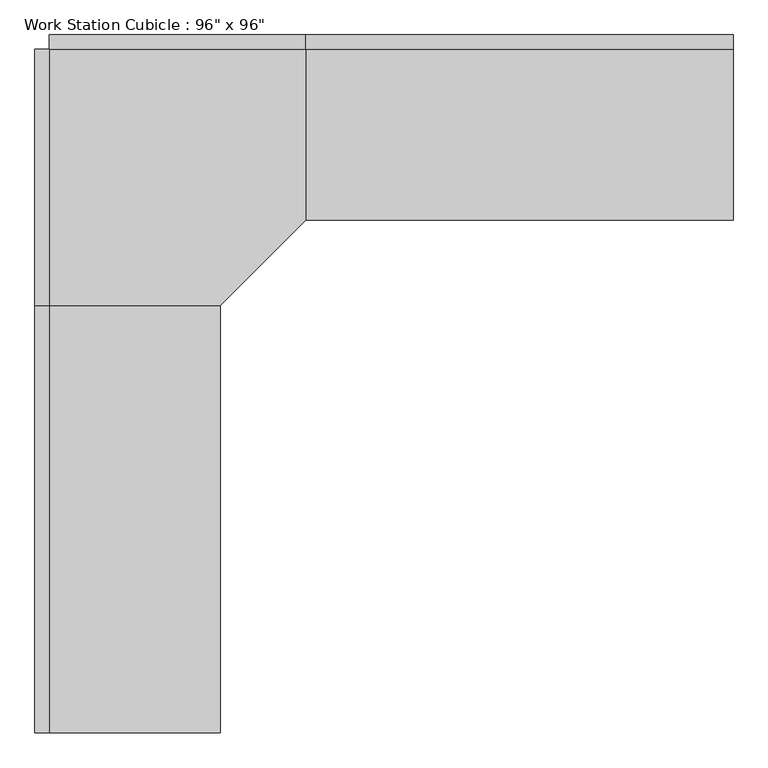
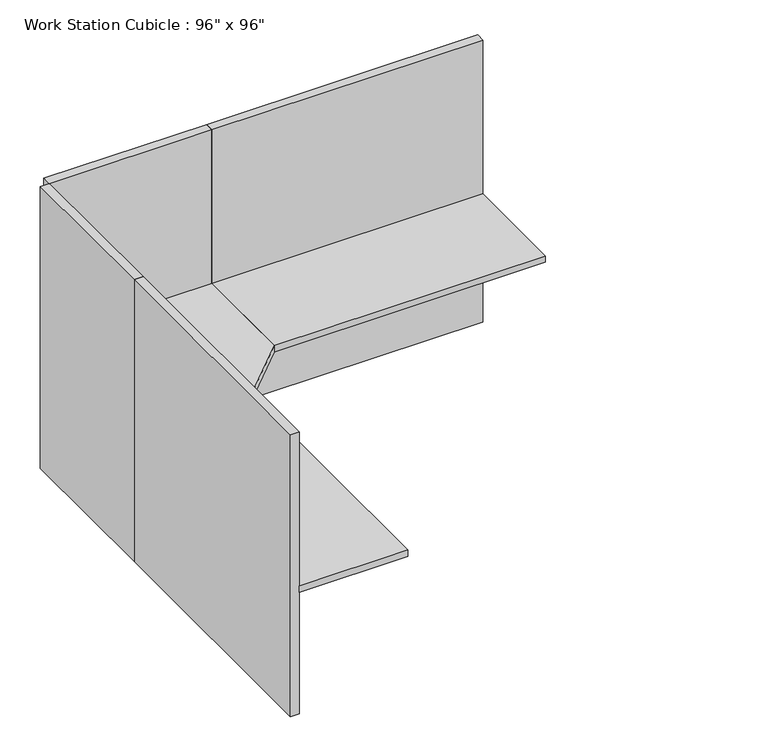
"""IFC4 building model written with IfcOpenShell, lengths in millimetres: furniture geometry."""

from ifc_helpers import new_model, si_unit, frame, origin, origin_with_axes, place, context, project, spatial, polyline, outline, extrude, source, transform, mapped, element, save


def furniture_45e3acac(model_context):
    return source(origin(), model_context, "Body", "SweptSolid", [
        extrude(outline(polyline([(-80.9317522, -545.8230076), (833.4682478, -545.8230076), (833.4682478, -1155.4230076), (528.6682478, -1460.2230076), (-80.9317522, -1460.2230076), (-80.9317522, -545.8230076)])), frame((0.0, 0.0, 723.9), z_axis=(0.0, 0.0, 1.0), x_axis=(1.0, 0.0, 0.0)), (0.0, 0.0, 1.0), 38.1),
        extrude(outline(polyline([(528.6682478, -2984.2230076), (-80.9317522, -2984.2230076), (-80.9317522, -1460.2230076), (528.6682478, -1460.2230076), (528.6682478, -2984.2230076)])), frame((0.0, 0.0, 723.9), z_axis=(0.0, 0.0, 1.0), x_axis=(1.0, 0.0, 0.0)), (0.0, 0.0, 1.0), 38.1),
        extrude(outline(polyline([(2357.4682478, -1155.4230076), (833.4682478, -1155.4230076), (833.4682478, -545.8230076), (2357.4682478, -545.8230076), (2357.4682478, -1155.4230076)])), frame((0.0, 0.0, 723.9), z_axis=(0.0, 0.0, 1.0), x_axis=(1.0, 0.0, 0.0)), (0.0, 0.0, 1.0), 38.1),
        extrude(outline(polyline([(2357.4682478, -545.8230076), (833.4682478, -545.8230076), (833.4682478, -495.0230076), (2357.4682478, -495.0230076), (2357.4682478, -545.8230076)])), origin_with_axes(), (0.0, 0.0, 1.0), 1676.4),
        extrude(outline(polyline([(833.4682478, -545.8230076), (-80.9317522, -545.8230076), (-80.9317522, -495.0230076), (833.4682478, -495.0230076), (833.4682478, -545.8230076)])), origin_with_axes(), (0.0, 0.0, 1.0), 1676.4),
        extrude(outline(polyline([(-80.9317522, -1460.2230076), (-131.7317522, -1460.2230076), (-131.7317522, -545.8230076), (-80.9317522, -545.8230076), (-80.9317522, -1460.2230076)])), origin_with_axes(), (0.0, 0.0, 1.0), 1676.4),
        extrude(outline(polyline([(-80.9317522, -2984.2230076), (-131.7317522, -2984.2230076), (-131.7317522, -1460.2230076), (-80.9317522, -1460.2230076), (-80.9317522, -2984.2230076)])), origin_with_axes(), (0.0, 0.0, 1.0), 1676.4),
    ])


if __name__ == "__main__":
    model = new_model("IFC4")
    model_context = context("Model", 3, world=origin())
    ifc_project = project(units=[si_unit("LENGTHUNIT", "METRE", prefix="MILLI")], contexts=[model_context])
    site = spatial("IfcSite", under=ifc_project)
    building = spatial("IfcBuilding", under=site)
    placement = place(None, origin())
    furniture_shape = furniture_45e3acac(model_context)
    element("IfcFurniture", 1, ObjectType="Work Station Cubicle : 96\" x 96\"", at=placement, inside=building, context=model_context, shape_type="MappedRepresentation", body=[
        mapped(furniture_shape, transform((0.0, 0.0, 0.0), x_axis=(1.0, 0.0, 0.0), y_axis=(0.0, 1.0, 0.0), z_axis=(0.0, 0.0, 1.0))),
    ])
    save(model, "model.ifc")
